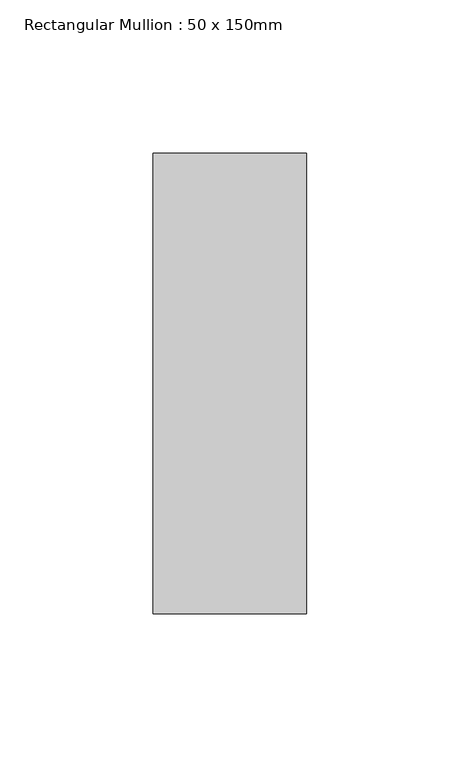
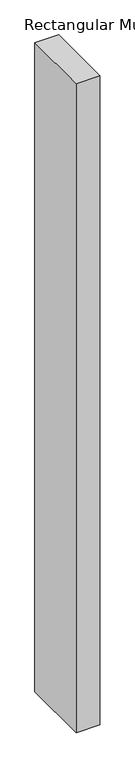
"""IFC4 building model written with IfcOpenShell, lengths in millimetres: member geometry, Rectangular Mullion : 50 x 150mm."""

from ifc_helpers import new_model, si_unit, frame, origin, place, context, project, spatial, polyline, outline, extrude, source, transform, mapped, element, save


def rectangular_mullion_50_x_150mm_1f3e2cd6(model_context):
    return source(origin(), model_context, "Body", "SweptSolid", [
        extrude(outline(polyline([(0.0, 75.0), (0.0, -75.0), (-50.0, -75.0), (-50.0, 75.0), (0.0, 75.0)])), frame((0.0, 0.0, -1445.0000002), z_axis=(0.0, 0.0, 1.0), x_axis=(1.0, 0.0, 0.0)), (0.0, 0.0, 1.0), 1445.0000002),
    ])


if __name__ == "__main__":
    model = new_model("IFC4")
    model_context = context("Model", 3, world=origin())
    ifc_project = project(units=[si_unit("LENGTHUNIT", "METRE", prefix="MILLI")], contexts=[model_context])
    site = spatial("IfcSite", under=ifc_project)
    building = spatial("IfcBuilding", under=site)
    placement = place(None, origin())
    rectangular_mullion_50_x_150mm_shape = rectangular_mullion_50_x_150mm_1f3e2cd6(model_context)
    element("IfcMember", 1, ObjectType="Rectangular Mullion : 50 x 150mm", at=placement, inside=building, context=model_context, shape_type="MappedRepresentation", body=[
        mapped(rectangular_mullion_50_x_150mm_shape, transform((0.0, 0.0, 0.0), x_axis=(1.0, 0.0, 0.0), y_axis=(0.0, 1.0, 0.0), z_axis=(0.0, 0.0, 1.0))),
    ])
    save(model, "model.ifc")
